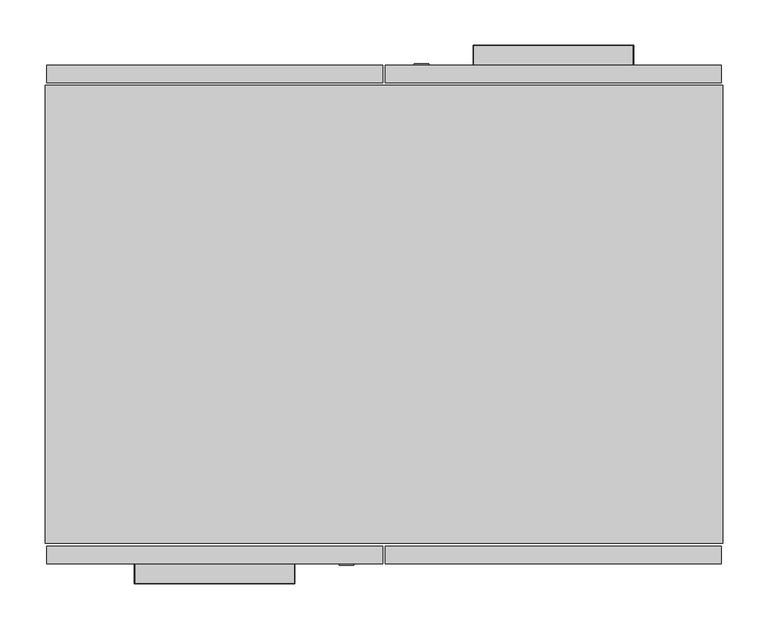
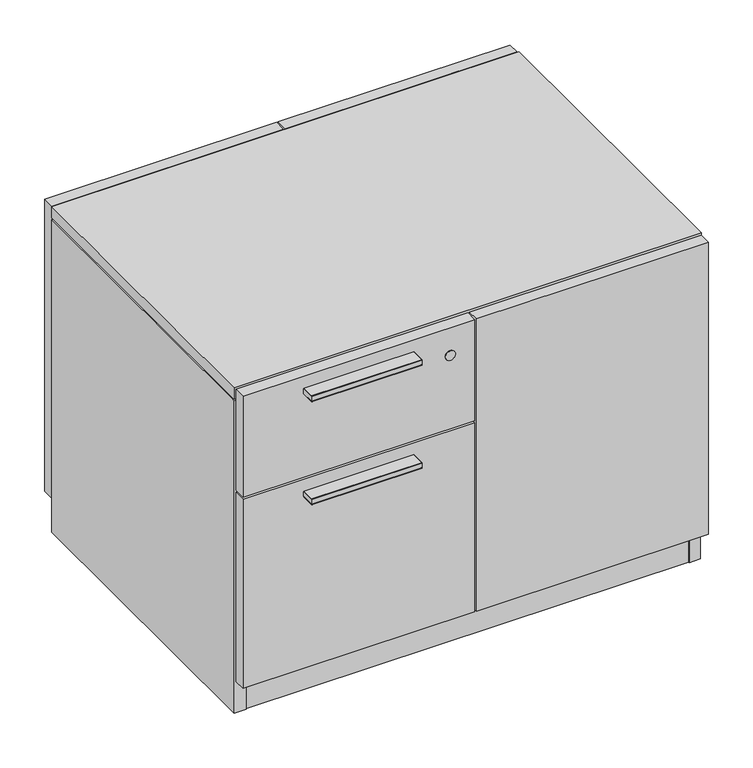
"""IFC4 building model written with IfcOpenShell, lengths in millimetres: furniture geometry."""

from ifc_helpers import new_model, si_unit, point, frame, frame_2d, origin, origin_with_axes, place, context, project, spatial, polyline, circle_curve, ellipse_curve, trimmed, segment, composite_curve, outline, extrude, source, transform, mapped, element, save
from ifc_brep_helpers import plane_surface, cylinder_surface, revolved_surface, advanced_brep


def furniture_bc1b990d(model_context):
    return source(origin(), model_context, "Body", "SolidModel", [
        extrude(outline(composite_curve([segment(trimmed(circle_curve(frame_2d((707.0343382, 205.7527027)), 18.4149915), [point((725.4493297, 205.7527027))], [point((688.6193467, 205.7527027))], False, "CARTESIAN"), True, "CONTINUOUS"), segment(trimmed(circle_curve(frame_2d((707.0343382, 205.7527027)), 18.4149915), [point((688.6193467, 205.7527027))], [point((725.4493297, 205.7527027))], False, "CARTESIAN"), True, "CONTINUOUS")], self_intersect=False)), origin_with_axes(), (0.0, 0.0, 1.0), 9.1439998),
        extrude(outline(composite_curve([segment(trimmed(circle_curve(frame_2d((44.7954398, 205.7527027)), 18.4149915), [point((26.3804483, 205.7527027))], [point((63.2104313, 205.7527027))], False, "CARTESIAN"), True, "CONTINUOUS"), segment(trimmed(circle_curve(frame_2d((44.7954398, 205.7527027)), 18.4149915), [point((63.2104313, 205.7527027))], [point((26.3804483, 205.7527027))], False, "CARTESIAN"), True, "CONTINUOUS")], self_intersect=False)), origin_with_axes(), (0.0, 0.0, 1.0), 9.1439998),
        extrude(outline(composite_curve([segment(trimmed(circle_curve(frame_2d((707.0343382, -205.7312287)), 18.4149915), [point((725.4493297, -205.7312287))], [point((688.6193467, -205.7312287))], False, "CARTESIAN"), True, "CONTINUOUS"), segment(trimmed(circle_curve(frame_2d((707.0343382, -205.7312287)), 18.4149915), [point((688.6193467, -205.7312287))], [point((725.4493297, -205.7312287))], False, "CARTESIAN"), True, "CONTINUOUS")], self_intersect=False)), origin_with_axes(), (0.0, 0.0, 1.0), 9.1439998),
        extrude(outline(composite_curve([segment(trimmed(circle_curve(frame_2d((44.7954398, -205.7312287)), 18.4149915), [point((26.3804483, -205.7312287))], [point((63.2104313, -205.7312287))], False, "CARTESIAN"), True, "CONTINUOUS"), segment(trimmed(circle_curve(frame_2d((44.7954398, -205.7312287)), 18.4149915), [point((63.2104313, -205.7312287))], [point((26.3804483, -205.7312287))], False, "CARTESIAN"), True, "CONTINUOUS")], self_intersect=False)), origin_with_axes(), (0.0, 0.0, 1.0), 9.1439998),
        advanced_brep(
        [(475.6975188, 276.4790179, 527.0591806), (475.6975188, 297.9420247, 527.0591806), (652.0607572, 297.9420247, 527.0591806), (652.0607572, 276.4790179, 527.0591806), (622.3653588, 276.4790179, 527.0591806), (622.3721802, 292.3939808, 527.0591806), (505.3895065, 292.3939808, 527.0591806), (505.3929172, 276.4790179, 527.0591806), (652.0607572, 276.4790179, 536.5841806), (652.0607572, 297.9420247, 536.5841806), (475.6975188, 297.9420247, 536.5841806), (475.6975188, 276.4790179, 536.5841806), (506.1848711, 276.4790179, 527.7699741), (512.4949425, 276.4790179, 533.4091528), (615.2633335, 276.4790179, 533.4091528), (621.5734049, 276.4790179, 527.7699741), (512.4949425, 292.3939808, 533.4091528), (506.1848711, 292.3939808, 527.7699741), (621.5734049, 292.3939808, 527.7699741), (615.2633335, 292.3939808, 533.4091528)],
        [
            (0, 1),
            (1, 2),
            (2, 3),
            (3, 4),
            (4, 5),
            (5, 6),
            (6, 7),
            (7, 0),
            (8, 9),
            (9, 10),
            (10, 11),
            (11, 8),
            (11, 0),
            (7, 12, circle_curve(frame((505.3895065, 276.4790179, 527.8595683), z_axis=(0.0, -1.0, 0.0), x_axis=(0.0, 0.0, -1.0)), 0.8003949)),
            (12, 13, circle_curve(frame((512.4949425, 276.4790179, 527.0591734), z_axis=(0.0, 1.0, 0.0), x_axis=(0.0, 0.0, -1.0)), 6.3499794)),
            (13, 14),
            (14, 15, circle_curve(frame((615.2633335, 276.4790179, 527.0591734), z_axis=(0.0, 1.0, 0.0), x_axis=(0.0, 0.0, -1.0)), 6.3499794)),
            (15, 4, circle_curve(frame((622.3687695, 276.4790179, 527.8595683), z_axis=(0.0, -1.0, 0.0), x_axis=(0.0, 0.0, -1.0)), 0.8003949)),
            (3, 8),
            (10, 1),
            (9, 2),
            (16, 17, circle_curve(frame((512.4949425, 292.3939808, 527.0591734), z_axis=(0.0, -1.0, 0.0), x_axis=(0.0, 0.0, -1.0)), 6.3499794)),
            (17, 6, circle_curve(frame((505.3895065, 292.3939808, 527.8595683), z_axis=(0.0, 1.0, 0.0), x_axis=(0.0, 0.0, -1.0)), 0.8003949)),
            (5, 18, circle_curve(frame((622.3687695, 292.3939808, 527.8595683), z_axis=(0.0, 1.0, 0.0), x_axis=(0.0, 0.0, -1.0)), 0.8003949)),
            (18, 19, circle_curve(frame((615.2633335, 292.3939808, 527.0591734), z_axis=(0.0, -1.0, 0.0), x_axis=(0.0, 0.0, -1.0)), 6.3499794)),
            (19, 16),
            (16, 13),
            (12, 17),
            (15, 18),
            (14, 19),
        ],
        [
            plane_surface(frame((367.4291321, 276.4790179, 527.0591806), z_axis=(0.0, 0.0, -1.0), x_axis=(-1.0, 0.0, 0.0))),
            plane_surface(frame((367.4291321, 276.4790179, 536.5841806), z_axis=(0.0, 0.0, 1.0), x_axis=(1.0, 0.0, 0.0))),
            plane_surface(frame((652.0607572, 276.4790179, 527.0591806), z_axis=(0.0, -1.0, 0.0), x_axis=(0.0, 0.0, 1.0))),
            plane_surface(frame((475.6975188, 276.4790179, 527.0591806), z_axis=(-1.0, 0.0, 0.0), x_axis=(0.0, 0.0, 1.0))),
            plane_surface(frame((475.6975188, 297.9420247, 527.0591806), z_axis=(0.0, 1.0, 0.0), x_axis=(0.0, 0.0, 1.0))),
            plane_surface(frame((652.0607572, 297.9420247, 527.0591806), z_axis=(1.0, 0.0, 0.0), x_axis=(0.0, 0.0, 1.0))),
            plane_surface(frame((563.879138, 292.3939808, 531.8216806), z_axis=(0.0, -1.0, 0.0), x_axis=(-1.0, 0.0, 0.0))),
            revolved_surface(polyline([(512.4949425, 276.4790179, 520.7091939999999), (512.4949425, 292.3939808, 520.7091939999999)]), (512.4949425, 276.4790179, 527.0591734), (0.0, -1.0, 0.0)),
            cylinder_surface(frame((505.3895065, 276.4790179, 527.8595683), z_axis=(0.0, 1.0, 0.0), x_axis=(0.0, 0.0, -1.0)), 0.8003949),
            cylinder_surface(frame((622.3687695, 276.4790179, 527.8595683), z_axis=(0.0, 1.0, 0.0), x_axis=(0.0, 0.0, -1.0)), 0.8003949),
            revolved_surface(polyline([(615.2633335, 276.4790179, 520.7091939999999), (615.2633335, 292.3939808, 520.7091939999999)]), (615.2633335, 276.4790179, 527.0591734), (0.0, -1.0, 0.0)),
            plane_surface(frame((615.2633335, 276.4790179, 533.4091528), z_axis=(0.0, 0.0, -1.0), x_axis=(0.0, 1.0, 0.0))),
        ],
        [
            (0, [[1, 2, 3, 4, 5, 6, 7, 8]]),
            (1, [[9, 10, 11, 12]]),
            (2, [[-12, 13, -8, 14, 15, 16, 17, 18, -4, 19]]),
            (3, [[-1, -13, -11, 20]]),
            (4, [[-2, -20, -10, 21]]),
            (5, [[-3, -21, -9, -19]]),
            (6, [[22, 23, -6, 24, 25, 26]]),
            (7, [[-22, 27, -15, 28]]),
            (8, [[-23, -28, -14, -7]]),
            (9, [[-24, -5, -18, 29]]),
            (10, [[-25, -29, -17, 30]]),
            (11, [[-26, -30, -16, -27]]),
        ],
    ),
        advanced_brep(
        [(652.0607572, 276.4790179, 527.0591625), (652.8227383, 276.4790179, 527.8211254), (652.8227383, 276.4790179, 535.8169014), (652.0607572, 276.4790179, 536.578937), (652.0607572, 297.9420247, 527.0591625), (652.8227383, 298.7040058, 527.8211254), (652.8227383, 298.7040058, 535.8169014), (652.0607572, 297.9420247, 536.578937), (475.6975188, 297.9420247, 527.0591625), (474.9355377, 298.7040058, 527.8211254), (474.9355377, 298.7040058, 535.8169014), (475.6975188, 297.9420247, 536.578937), (475.6975188, 276.4790179, 527.0591625), (475.6975188, 276.4790179, 536.578937), (474.9355377, 276.4790179, 535.8169014), (474.9355377, 276.4790179, 527.8211254)],
        [
            (0, 1, circle_curve(frame((652.0607754, 276.4790179, 527.8211254), z_axis=(0.0, -1.0, 0.0), x_axis=(-1.0, 0.0, 0.0)), 0.7619629)),
            (1, 2),
            (2, 3, circle_curve(frame((652.0607027, 276.4790179, 535.8169014), z_axis=(0.0, -1.0, 0.0), x_axis=(-1.0, 0.0, 0.0)), 0.7620356)),
            (3, 0),
            (0, 4),
            (4, 5, ellipse_curve(frame((652.0607754, 297.9420429, 527.8211254), z_axis=(0.7071067811865503, -0.7071067811865448, 0.0), x_axis=(-0.7071067811865448, -0.7071067811865501, 0.0)), 1.0775783, 0.7619629)),
            (5, 1),
            (5, 6),
            (6, 2),
            (6, 7, ellipse_curve(frame((652.0607027, 297.9419702, 535.8169014), z_axis=(0.7071067811865503, -0.7071067811865448, 0.0), x_axis=(-0.7071067811865448, -0.7071067811865501, 0.0)), 1.0776811, 0.7620356)),
            (7, 3),
            (7, 4),
            (4, 8),
            (8, 9, ellipse_curve(frame((475.6975006, 297.9420429, 527.8211254), z_axis=(0.7071067811865446, 0.7071067811865503, 0.0), x_axis=(0.7071067811865506, -0.7071067811865446, 0.0)), 1.0775783, 0.7619629)),
            (9, 5),
            (9, 10),
            (10, 6),
            (10, 11, ellipse_curve(frame((475.6975733, 297.9419702, 535.8169014), z_axis=(0.7071067811865446, 0.7071067811865503, 0.0), x_axis=(0.7071067811865506, -0.7071067811865446, 0.0)), 1.0776811, 0.7620356)),
            (11, 7),
            (11, 8),
            (12, 13),
            (13, 14, circle_curve(frame((475.6975733, 276.4790179, 535.8169014), z_axis=(0.0, -1.0, 0.0), x_axis=(1.0, 0.0, 0.0)), 0.7620356)),
            (14, 15),
            (15, 12, circle_curve(frame((475.6975006, 276.4790179, 527.8211254), z_axis=(0.0, -1.0, 0.0), x_axis=(1.0, 0.0, 0.0)), 0.7619629)),
            (8, 12),
            (15, 9),
            (14, 10),
            (13, 11),
        ],
        [
            plane_surface(frame((652.5251352, 276.4790179, 531.8216806), z_axis=(0.0, -1.0, 0.0), x_axis=(0.0, 0.0, 1.0))),
            cylinder_surface(frame((652.0607754, 276.4790179, 527.8211254), z_axis=(0.0, -1.0, 0.0), x_axis=(-1.0, 0.0, 0.0)), 0.7619629),
            plane_surface(frame((652.8227383, 276.4790179, 527.8211254), z_axis=(1.0, 0.0, 0.0), x_axis=(0.0, 1.0, 0.0))),
            cylinder_surface(frame((652.0607027, 276.4790179, 535.8169014), z_axis=(0.0, -1.0, 0.0), x_axis=(-1.0, 0.0, 0.0)), 0.7620356),
            plane_surface(frame((652.0607572, 276.4790179, 536.578937), z_axis=(-1.0, 0.0, 0.0), x_axis=(0.0, 1.0, 0.0))),
            cylinder_surface(frame((652.5251352, 297.9420429, 527.8211254), z_axis=(1.0, 0.0, 0.0), x_axis=(0.0, -1.0, 0.0)), 0.7619629),
            plane_surface(frame((652.8227383, 298.7040058, 527.8211254), z_axis=(0.0, 1.0, 0.0), x_axis=(-1.0, 0.0, 0.0))),
            cylinder_surface(frame((652.5251352, 297.9419702, 535.8169014), z_axis=(1.0, 0.0, 0.0), x_axis=(0.0, -1.0, 0.0)), 0.7620356),
            plane_surface(frame((652.0607572, 297.9420247, 536.578937), z_axis=(0.0, -1.0, 0.0), x_axis=(-1.0, 0.0, 0.0))),
            plane_surface(frame((475.2331408, 276.4790179, 531.8216806), z_axis=(0.0, -1.0, 0.0), x_axis=(0.0, 0.0, 1.0))),
            cylinder_surface(frame((475.6975006, 298.4064027, 527.8211254), z_axis=(0.0, 1.0, 0.0), x_axis=(1.0, 0.0, 0.0)), 0.7619629),
            plane_surface(frame((474.9355377, 298.7040058, 527.8211254), z_axis=(-1.0, 0.0, 0.0), x_axis=(0.0, -1.0, 0.0))),
            cylinder_surface(frame((475.6975733, 298.4064027, 535.8169014), z_axis=(0.0, 1.0, 0.0), x_axis=(1.0, 0.0, 0.0)), 0.7620356),
            plane_surface(frame((475.6975188, 297.9420247, 536.578937), z_axis=(1.0, 0.0, 0.0), x_axis=(0.0, -1.0, 0.0))),
        ],
        [
            (0, [[1, 2, 3, 4]]),
            (1, [[-1, 5, 6, 7]]),
            (2, [[-2, -7, 8, 9]]),
            (3, [[-3, -9, 10, 11]]),
            (4, [[-4, -11, 12, -5]]),
            (5, [[-6, 13, 14, 15]]),
            (6, [[-8, -15, 16, 17]]),
            (7, [[-10, -17, 18, 19]]),
            (8, [[-12, -19, 20, -13]]),
            (9, [[21, 22, 23, 24]]),
            (10, [[-14, 25, -24, 26]]),
            (11, [[-16, -26, -23, 27]]),
            (12, [[-18, -27, -22, 28]]),
            (13, [[-20, -28, -21, -25]]),
        ],
    ),
        advanced_brep(
        [(276.1372866, -276.4790179, 527.0591806), (276.1372866, -297.9420247, 527.0591806), (99.7740482, -297.9420247, 527.0591806), (99.7740482, -276.4790179, 527.0591806), (129.4694466, -276.4790179, 527.0591806), (129.4626252, -292.3939808, 527.0591806), (246.4452989, -292.3939808, 527.0591806), (246.4418882, -276.4790179, 527.0591806), (99.7740482, -276.4790179, 536.5841806), (99.7740482, -297.9420247, 536.5841806), (276.1372866, -297.9420247, 536.5841806), (276.1372866, -276.4790179, 536.5841806), (245.6499343, -276.4790179, 527.7699741), (239.3398629, -276.4790179, 533.4091528), (136.5714719, -276.4790179, 533.4091528), (130.2614005, -276.4790179, 527.7699741), (239.3398629, -292.3939808, 533.4091528), (245.6499343, -292.3939808, 527.7699741), (130.2614005, -292.3939808, 527.7699741), (136.5714719, -292.3939808, 533.4091528)],
        [
            (0, 1),
            (1, 2),
            (2, 3),
            (3, 4),
            (4, 5),
            (5, 6),
            (6, 7),
            (7, 0),
            (8, 9),
            (9, 10),
            (10, 11),
            (11, 8),
            (11, 0),
            (7, 12, circle_curve(frame((246.4452989, -276.4790179, 527.8595683), z_axis=(0.0, 1.0, 0.0), x_axis=(0.0, 0.0, -1.0)), 0.8003949)),
            (12, 13, circle_curve(frame((239.3398629, -276.4790179, 527.0591734), z_axis=(0.0, -1.0, 0.0), x_axis=(0.0, 0.0, -1.0)), 6.3499794)),
            (13, 14),
            (14, 15, circle_curve(frame((136.5714719, -276.4790179, 527.0591734), z_axis=(0.0, -1.0, 0.0), x_axis=(0.0, 0.0, -1.0)), 6.3499794)),
            (15, 4, circle_curve(frame((129.4660359, -276.4790179, 527.8595683), z_axis=(0.0, 1.0, 0.0), x_axis=(0.0, 0.0, -1.0)), 0.8003949)),
            (3, 8),
            (10, 1),
            (9, 2),
            (16, 17, circle_curve(frame((239.3398629, -292.3939808, 527.0591734), z_axis=(0.0, 1.0, 0.0), x_axis=(0.0, 0.0, -1.0)), 6.3499794)),
            (17, 6, circle_curve(frame((246.4452989, -292.3939808, 527.8595683), z_axis=(0.0, -1.0, 0.0), x_axis=(0.0, 0.0, -1.0)), 0.8003949)),
            (5, 18, circle_curve(frame((129.4660359, -292.3939808, 527.8595683), z_axis=(0.0, -1.0, 0.0), x_axis=(0.0, 0.0, -1.0)), 0.8003949)),
            (18, 19, circle_curve(frame((136.5714719, -292.3939808, 527.0591734), z_axis=(0.0, 1.0, 0.0), x_axis=(0.0, 0.0, -1.0)), 6.3499794)),
            (19, 16),
            (16, 13),
            (12, 17),
            (15, 18),
            (14, 19),
        ],
        [
            plane_surface(frame((384.4056734, -276.4790179, 527.0591806), z_axis=(0.0, 0.0, -1.0), x_axis=(1.0, 0.0, 0.0))),
            plane_surface(frame((384.4056734, -276.4790179, 536.5841806), z_axis=(0.0, 0.0, 1.0), x_axis=(-1.0, 0.0, 0.0))),
            plane_surface(frame((99.7740482, -276.4790179, 527.0591806), z_axis=(0.0, 1.0, 0.0), x_axis=(0.0, 0.0, 1.0))),
            plane_surface(frame((276.1372866, -276.4790179, 527.0591806), z_axis=(1.0, 0.0, 0.0), x_axis=(0.0, 0.0, 1.0))),
            plane_surface(frame((276.1372866, -297.9420247, 527.0591806), z_axis=(0.0, -1.0, 0.0), x_axis=(0.0, 0.0, 1.0))),
            plane_surface(frame((99.7740482, -297.9420247, 527.0591806), z_axis=(-1.0, 0.0, 0.0), x_axis=(0.0, 0.0, 1.0))),
            plane_surface(frame((187.9556674, -292.3939808, 531.8216806), z_axis=(0.0, 1.0, 0.0), x_axis=(1.0, 0.0, 0.0))),
            revolved_surface(polyline([(239.3398629, -276.4790179, 520.7091939999999), (239.3398629, -292.3939808, 520.7091939999999)]), (239.3398629, -276.4790179, 527.0591734), (0.0, 1.0, 0.0)),
            cylinder_surface(frame((246.4452989, -276.4790179, 527.8595683), z_axis=(0.0, -1.0, 0.0), x_axis=(0.0, 0.0, -1.0)), 0.8003949),
            cylinder_surface(frame((129.4660359, -276.4790179, 527.8595683), z_axis=(0.0, -1.0, 0.0), x_axis=(0.0, 0.0, -1.0)), 0.8003949),
            revolved_surface(polyline([(136.5714719, -276.4790179, 520.7091939999999), (136.5714719, -292.3939808, 520.7091939999999)]), (136.5714719, -276.4790179, 527.0591734), (0.0, 1.0, 0.0)),
            plane_surface(frame((136.5714719, -276.4790179, 533.4091528), z_axis=(0.0, 0.0, -1.0), x_axis=(0.0, -1.0, 0.0))),
        ],
        [
            (0, [[1, 2, 3, 4, 5, 6, 7, 8]]),
            (1, [[9, 10, 11, 12]]),
            (2, [[-12, 13, -8, 14, 15, 16, 17, 18, -4, 19]]),
            (3, [[-1, -13, -11, 20]]),
            (4, [[-2, -20, -10, 21]]),
            (5, [[-3, -21, -9, -19]]),
            (6, [[22, 23, -6, 24, 25, 26]]),
            (7, [[-22, 27, -15, 28]]),
            (8, [[-23, -28, -14, -7]]),
            (9, [[-24, -5, -18, 29]]),
            (10, [[-25, -29, -17, 30]]),
            (11, [[-26, -30, -16, -27]]),
        ],
    ),
        advanced_brep(
        [(99.7740482, -276.4790179, 527.0591625), (99.0120671, -276.4790179, 527.8211254), (99.0120671, -276.4790179, 535.8169014), (99.7740482, -276.4790179, 536.578937), (99.7740482, -297.9420247, 527.0591625), (99.0120671, -298.7040058, 527.8211254), (99.0120671, -298.7040058, 535.8169014), (99.7740482, -297.9420247, 536.578937), (276.1372866, -297.9420247, 527.0591625), (276.8992677, -298.7040058, 527.8211254), (276.8992677, -298.7040058, 535.8169014), (276.1372866, -297.9420247, 536.578937), (276.1372866, -276.4790179, 527.0591625), (276.1372866, -276.4790179, 536.578937), (276.8992677, -276.4790179, 535.8169014), (276.8992677, -276.4790179, 527.8211254)],
        [
            (0, 1, circle_curve(frame((99.7740301, -276.4790179, 527.8211254), z_axis=(0.0, 1.0, 0.0), x_axis=(1.0, 0.0, 0.0)), 0.7619629)),
            (1, 2),
            (2, 3, circle_curve(frame((99.7741027, -276.4790179, 535.8169014), z_axis=(0.0, 1.0, 0.0), x_axis=(1.0, 0.0, 0.0)), 0.7620356)),
            (3, 0),
            (0, 4),
            (4, 5, ellipse_curve(frame((99.7740301, -297.9420429, 527.8211254), z_axis=(-0.707106781186548, 0.7071067811865469, 0.0), x_axis=(0.7071067811865468, 0.7071067811865481, 0.0)), 1.0775783, 0.7619629)),
            (5, 1),
            (5, 6),
            (6, 2),
            (6, 7, ellipse_curve(frame((99.7741027, -297.9419702, 535.8169014), z_axis=(-0.707106781186548, 0.7071067811865469, 0.0), x_axis=(0.7071067811865468, 0.7071067811865481, 0.0)), 1.0776811, 0.7620356)),
            (7, 3),
            (7, 4),
            (4, 8),
            (8, 9, ellipse_curve(frame((276.1373048, -297.9420429, 527.8211254), z_axis=(-0.7071067811865469, -0.7071067811865481, 0.0), x_axis=(-0.7071067811865481, 0.7071067811865469, 0.0)), 1.0775783, 0.7619629)),
            (9, 5),
            (9, 10),
            (10, 6),
            (10, 11, ellipse_curve(frame((276.1372321, -297.9419702, 535.8169014), z_axis=(-0.7071067811865469, -0.7071067811865481, 0.0), x_axis=(-0.7071067811865481, 0.7071067811865469, 0.0)), 1.0776811, 0.7620356)),
            (11, 7),
            (11, 8),
            (12, 13),
            (13, 14, circle_curve(frame((276.1372321, -276.4790179, 535.8169014), z_axis=(0.0, 1.0, 0.0), x_axis=(-1.0, 0.0, 0.0)), 0.7620356)),
            (14, 15),
            (15, 12, circle_curve(frame((276.1373048, -276.4790179, 527.8211254), z_axis=(0.0, 1.0, 0.0), x_axis=(-1.0, 0.0, 0.0)), 0.7619629)),
            (8, 12),
            (15, 9),
            (14, 10),
            (13, 11),
        ],
        [
            plane_surface(frame((99.3096702, -276.4790179, 531.8216806), z_axis=(0.0, 1.0, 0.0), x_axis=(0.0, 0.0, 1.0))),
            cylinder_surface(frame((99.7740301, -276.4790179, 527.8211254), z_axis=(0.0, 1.0, 0.0), x_axis=(1.0, 0.0, 0.0)), 0.7619629),
            plane_surface(frame((99.0120671, -276.4790179, 527.8211254), z_axis=(-1.0, 0.0, 0.0), x_axis=(0.0, -1.0, 0.0))),
            cylinder_surface(frame((99.7741027, -276.4790179, 535.8169014), z_axis=(0.0, 1.0, 0.0), x_axis=(1.0, 0.0, 0.0)), 0.7620356),
            plane_surface(frame((99.7740482, -276.4790179, 536.578937), z_axis=(1.0, 0.0, 0.0), x_axis=(0.0, -1.0, 0.0))),
            cylinder_surface(frame((99.3096702, -297.9420429, 527.8211254), z_axis=(-1.0, 0.0, 0.0), x_axis=(0.0, 1.0, 0.0)), 0.7619629),
            plane_surface(frame((99.0120671, -298.7040058, 527.8211254), z_axis=(0.0, -1.0, 0.0), x_axis=(1.0, 0.0, 0.0))),
            cylinder_surface(frame((99.3096702, -297.9419702, 535.8169014), z_axis=(-1.0, 0.0, 0.0), x_axis=(0.0, 1.0, 0.0)), 0.7620356),
            plane_surface(frame((99.7740482, -297.9420247, 536.578937), z_axis=(0.0, 1.0, 0.0), x_axis=(1.0, 0.0, 0.0))),
            plane_surface(frame((276.6016647, -276.4790179, 531.8216806), z_axis=(0.0, 1.0, 0.0), x_axis=(0.0, 0.0, 1.0))),
            cylinder_surface(frame((276.1373048, -298.4064027, 527.8211254), z_axis=(0.0, -1.0, 0.0), x_axis=(-1.0, 0.0, 0.0)), 0.7619629),
            plane_surface(frame((276.8992677, -298.7040058, 527.8211254), z_axis=(1.0, 0.0, 0.0), x_axis=(0.0, 1.0, 0.0))),
            cylinder_surface(frame((276.1372321, -298.4064027, 535.8169014), z_axis=(0.0, -1.0, 0.0), x_axis=(-1.0, 0.0, 0.0)), 0.7620356),
            plane_surface(frame((276.1372866, -297.9420247, 536.578937), z_axis=(-1.0, 0.0, 0.0), x_axis=(0.0, 1.0, 0.0))),
        ],
        [
            (0, [[1, 2, 3, 4]]),
            (1, [[-1, 5, 6, 7]]),
            (2, [[-2, -7, 8, 9]]),
            (3, [[-3, -9, 10, 11]]),
            (4, [[-4, -11, 12, -5]]),
            (5, [[-6, 13, 14, 15]]),
            (6, [[-8, -15, 16, 17]]),
            (7, [[-10, -17, 18, 19]]),
            (8, [[-12, -19, 20, -13]]),
            (9, [[21, 22, 23, 24]]),
            (10, [[-14, 25, -24, 26]]),
            (11, [[-16, -26, -23, 27]]),
            (12, [[-18, -27, -22, 28]]),
            (13, [[-20, -28, -21, -25]]),
        ],
    ),
        advanced_brep(
        [(475.6975188, 276.4790179, 351.9491933), (475.6975188, 297.9420247, 351.9491933), (652.0607572, 297.9420247, 351.9491933), (652.0607572, 276.4790179, 351.9491933), (622.3653588, 276.4790179, 351.9491933), (622.3721802, 292.3939808, 351.9491933), (505.3895065, 292.3939808, 351.9491933), (505.3929172, 276.4790179, 351.9491933), (652.0607572, 276.4790179, 361.4741933), (652.0607572, 297.9420247, 361.4741933), (475.6975188, 297.9420247, 361.4741933), (475.6975188, 276.4790179, 361.4741933), (506.1848711, 276.4790179, 352.6599867), (512.4949425, 276.4790179, 358.2991654), (615.2633335, 276.4790179, 358.2991654), (621.5734049, 276.4790179, 352.6599867), (512.4949425, 292.3939808, 358.2991654), (506.1848711, 292.3939808, 352.6599867), (621.5734049, 292.3939808, 352.6599867), (615.2633335, 292.3939808, 358.2991654)],
        [
            (0, 1),
            (1, 2),
            (2, 3),
            (3, 4),
            (4, 5),
            (5, 6),
            (6, 7),
            (7, 0),
            (8, 9),
            (9, 10),
            (10, 11),
            (11, 8),
            (11, 0),
            (7, 12, circle_curve(frame((505.3895065, 276.4790179, 352.7495809), z_axis=(0.0, -1.0, 0.0), x_axis=(0.0, 0.0, -1.0)), 0.8003949)),
            (12, 13, circle_curve(frame((512.4949425, 276.4790179, 351.949186), z_axis=(0.0, 1.0, 0.0), x_axis=(0.0, 0.0, -1.0)), 6.3499794)),
            (13, 14),
            (14, 15, circle_curve(frame((615.2633335, 276.4790179, 351.949186), z_axis=(0.0, 1.0, 0.0), x_axis=(0.0, 0.0, -1.0)), 6.3499794)),
            (15, 4, circle_curve(frame((622.3687695, 276.4790179, 352.7495809), z_axis=(0.0, -1.0, 0.0), x_axis=(0.0, 0.0, -1.0)), 0.8003949)),
            (3, 8),
            (10, 1),
            (9, 2),
            (16, 17, circle_curve(frame((512.4949425, 292.3939808, 351.949186), z_axis=(0.0, -1.0, 0.0), x_axis=(0.0, 0.0, -1.0)), 6.3499794)),
            (17, 6, circle_curve(frame((505.3895065, 292.3939808, 352.7495809), z_axis=(0.0, 1.0, 0.0), x_axis=(0.0, 0.0, -1.0)), 0.8003949)),
            (5, 18, circle_curve(frame((622.3687695, 292.3939808, 352.7495809), z_axis=(0.0, 1.0, 0.0), x_axis=(0.0, 0.0, -1.0)), 0.8003949)),
            (18, 19, circle_curve(frame((615.2633335, 292.3939808, 351.949186), z_axis=(0.0, -1.0, 0.0), x_axis=(0.0, 0.0, -1.0)), 6.3499794)),
            (19, 16),
            (16, 13),
            (12, 17),
            (15, 18),
            (14, 19),
        ],
        [
            plane_surface(frame((367.4291321, 276.4790179, 351.9491933), z_axis=(0.0, 0.0, -1.0), x_axis=(-1.0, 0.0, 0.0))),
            plane_surface(frame((367.4291321, 276.4790179, 361.4741933), z_axis=(0.0, 0.0, 1.0), x_axis=(1.0, 0.0, 0.0))),
            plane_surface(frame((652.0607572, 276.4790179, 351.9491933), z_axis=(0.0, -1.0, 0.0), x_axis=(0.0, 0.0, 1.0))),
            plane_surface(frame((475.6975188, 276.4790179, 351.9491933), z_axis=(-1.0, 0.0, 0.0), x_axis=(0.0, 0.0, 1.0))),
            plane_surface(frame((475.6975188, 297.9420247, 351.9491933), z_axis=(0.0, 1.0, 0.0), x_axis=(0.0, 0.0, 1.0))),
            plane_surface(frame((652.0607572, 297.9420247, 351.9491933), z_axis=(1.0, 0.0, 0.0), x_axis=(0.0, 0.0, 1.0))),
            plane_surface(frame((563.879138, 292.3939808, 356.7116933), z_axis=(0.0, -1.0, 0.0), x_axis=(-1.0, 0.0, 0.0))),
            revolved_surface(polyline([(512.4949425, 276.4790179, 345.5992066), (512.4949425, 292.3939808, 345.5992066)]), (512.4949425, 276.4790179, 351.949186), (0.0, -1.0, 0.0)),
            cylinder_surface(frame((505.3895065, 276.4790179, 352.7495809), z_axis=(0.0, 1.0, 0.0), x_axis=(0.0, 0.0, -1.0)), 0.8003949),
            cylinder_surface(frame((622.3687695, 276.4790179, 352.7495809), z_axis=(0.0, 1.0, 0.0), x_axis=(0.0, 0.0, -1.0)), 0.8003949),
            revolved_surface(polyline([(615.2633335, 276.4790179, 345.5992066), (615.2633335, 292.3939808, 345.5992066)]), (615.2633335, 276.4790179, 351.949186), (0.0, -1.0, 0.0)),
            plane_surface(frame((615.2633335, 276.4790179, 358.2991654), z_axis=(0.0, 0.0, -1.0), x_axis=(0.0, 1.0, 0.0))),
        ],
        [
            (0, [[1, 2, 3, 4, 5, 6, 7, 8]]),
            (1, [[9, 10, 11, 12]]),
            (2, [[-12, 13, -8, 14, 15, 16, 17, 18, -4, 19]]),
            (3, [[-1, -13, -11, 20]]),
            (4, [[-2, -20, -10, 21]]),
            (5, [[-3, -21, -9, -19]]),
            (6, [[22, 23, -6, 24, 25, 26]]),
            (7, [[-22, 27, -15, 28]]),
            (8, [[-23, -28, -14, -7]]),
            (9, [[-24, -5, -18, 29]]),
            (10, [[-25, -29, -17, 30]]),
            (11, [[-26, -30, -16, -27]]),
        ],
    ),
        advanced_brep(
        [(652.0607572, 276.4790179, 351.9491751), (652.8227383, 276.4790179, 352.7111381), (652.8227383, 276.4790179, 360.706914), (652.0607572, 276.4790179, 361.4689496), (652.0607572, 297.9420247, 351.9491751), (652.8227383, 298.7040058, 352.7111381), (652.8227383, 298.7040058, 360.706914), (652.0607572, 297.9420247, 361.4689496), (475.6975188, 297.9420247, 351.9491751), (474.9355377, 298.7040058, 352.7111381), (474.9355377, 298.7040058, 360.706914), (475.6975188, 297.9420247, 361.4689496), (475.6975188, 276.4790179, 351.9491751), (475.6975188, 276.4790179, 361.4689496), (474.9355377, 276.4790179, 360.706914), (474.9355377, 276.4790179, 352.7111381)],
        [
            (0, 1, circle_curve(frame((652.0607754, 276.4790179, 352.7111381), z_axis=(0.0, -1.0, 0.0), x_axis=(-1.0, 0.0, 0.0)), 0.7619629)),
            (1, 2),
            (2, 3, circle_curve(frame((652.0607027, 276.4790179, 360.706914), z_axis=(0.0, -1.0, 0.0), x_axis=(-1.0, 0.0, 0.0)), 0.7620356)),
            (3, 0),
            (0, 4),
            (4, 5, ellipse_curve(frame((652.0607754, 297.9420429, 352.7111381), z_axis=(0.7071067811865503, -0.7071067811865448, 0.0), x_axis=(-0.7071067811865448, -0.7071067811865501, 0.0)), 1.0775783, 0.7619629)),
            (5, 1),
            (5, 6),
            (6, 2),
            (6, 7, ellipse_curve(frame((652.0607027, 297.9419702, 360.706914), z_axis=(0.7071067811865503, -0.7071067811865448, 0.0), x_axis=(-0.7071067811865448, -0.7071067811865501, 0.0)), 1.0776811, 0.7620356)),
            (7, 3),
            (7, 4),
            (4, 8),
            (8, 9, ellipse_curve(frame((475.6975006, 297.9420429, 352.7111381), z_axis=(0.7071067811865446, 0.7071067811865503, 0.0), x_axis=(0.7071067811865506, -0.7071067811865446, 0.0)), 1.0775783, 0.7619629)),
            (9, 5),
            (9, 10),
            (10, 6),
            (10, 11, ellipse_curve(frame((475.6975733, 297.9419702, 360.706914), z_axis=(0.7071067811865446, 0.7071067811865503, 0.0), x_axis=(0.7071067811865506, -0.7071067811865446, 0.0)), 1.0776811, 0.7620356)),
            (11, 7),
            (11, 8),
            (12, 13),
            (13, 14, circle_curve(frame((475.6975733, 276.4790179, 360.706914), z_axis=(0.0, -1.0, 0.0), x_axis=(1.0, 0.0, 0.0)), 0.7620356)),
            (14, 15),
            (15, 12, circle_curve(frame((475.6975006, 276.4790179, 352.7111381), z_axis=(0.0, -1.0, 0.0), x_axis=(1.0, 0.0, 0.0)), 0.7619629)),
            (8, 12),
            (15, 9),
            (14, 10),
            (13, 11),
        ],
        [
            plane_surface(frame((652.5251352, 276.4790179, 356.7116933), z_axis=(0.0, -1.0, 0.0), x_axis=(0.0, 0.0, 1.0))),
            cylinder_surface(frame((652.0607754, 276.4790179, 352.7111381), z_axis=(0.0, -1.0, 0.0), x_axis=(-1.0, 0.0, 0.0)), 0.7619629),
            plane_surface(frame((652.8227383, 276.4790179, 352.7111381), z_axis=(1.0, 0.0, 0.0), x_axis=(0.0, 1.0, 0.0))),
            cylinder_surface(frame((652.0607027, 276.4790179, 360.706914), z_axis=(0.0, -1.0, 0.0), x_axis=(-1.0, 0.0, 0.0)), 0.7620356),
            plane_surface(frame((652.0607572, 276.4790179, 361.4689496), z_axis=(-1.0, 0.0, 0.0), x_axis=(0.0, 1.0, 0.0))),
            cylinder_surface(frame((652.5251352, 297.9420429, 352.7111381), z_axis=(1.0, 0.0, 0.0), x_axis=(0.0, -1.0, 0.0)), 0.7619629),
            plane_surface(frame((652.8227383, 298.7040058, 352.7111381), z_axis=(0.0, 1.0, 0.0), x_axis=(-1.0, 0.0, 0.0))),
            cylinder_surface(frame((652.5251352, 297.9419702, 360.706914), z_axis=(1.0, 0.0, 0.0), x_axis=(0.0, -1.0, 0.0)), 0.7620356),
            plane_surface(frame((652.0607572, 297.9420247, 361.4689496), z_axis=(0.0, -1.0, 0.0), x_axis=(-1.0, 0.0, 0.0))),
            plane_surface(frame((475.2331408, 276.4790179, 356.7116933), z_axis=(0.0, -1.0, 0.0), x_axis=(0.0, 0.0, 1.0))),
            cylinder_surface(frame((475.6975006, 298.4064027, 352.7111381), z_axis=(0.0, 1.0, 0.0), x_axis=(1.0, 0.0, 0.0)), 0.7619629),
            plane_surface(frame((474.9355377, 298.7040058, 352.7111381), z_axis=(-1.0, 0.0, 0.0), x_axis=(0.0, -1.0, 0.0))),
            cylinder_surface(frame((475.6975733, 298.4064027, 360.706914), z_axis=(0.0, 1.0, 0.0), x_axis=(1.0, 0.0, 0.0)), 0.7620356),
            plane_surface(frame((475.6975188, 297.9420247, 361.4689496), z_axis=(1.0, 0.0, 0.0), x_axis=(0.0, -1.0, 0.0))),
        ],
        [
            (0, [[1, 2, 3, 4]]),
            (1, [[-1, 5, 6, 7]]),
            (2, [[-2, -7, 8, 9]]),
            (3, [[-3, -9, 10, 11]]),
            (4, [[-4, -11, 12, -5]]),
            (5, [[-6, 13, 14, 15]]),
            (6, [[-8, -15, 16, 17]]),
            (7, [[-10, -17, 18, 19]]),
            (8, [[-12, -19, 20, -13]]),
            (9, [[21, 22, 23, 24]]),
            (10, [[-14, 25, -24, 26]]),
            (11, [[-16, -26, -23, 27]]),
            (12, [[-18, -27, -22, 28]]),
            (13, [[-20, -28, -21, -25]]),
        ],
    ),
        advanced_brep(
        [(276.1372866, -276.4790179, 351.9491933), (276.1372866, -297.9420247, 351.9491933), (99.7740482, -297.9420247, 351.9491933), (99.7740482, -276.4790179, 351.9491933), (129.4694466, -276.4790179, 351.9491933), (129.4626252, -292.3939808, 351.9491933), (246.4452989, -292.3939808, 351.9491933), (246.4418882, -276.4790179, 351.9491933), (99.7740482, -276.4790179, 361.4741933), (99.7740482, -297.9420247, 361.4741933), (276.1372866, -297.9420247, 361.4741933), (276.1372866, -276.4790179, 361.4741933), (245.6499343, -276.4790179, 352.6599867), (239.3398629, -276.4790179, 358.2991654), (136.5714719, -276.4790179, 358.2991654), (130.2614005, -276.4790179, 352.6599867), (239.3398629, -292.3939808, 358.2991654), (245.6499343, -292.3939808, 352.6599867), (130.2614005, -292.3939808, 352.6599867), (136.5714719, -292.3939808, 358.2991654)],
        [
            (0, 1),
            (1, 2),
            (2, 3),
            (3, 4),
            (4, 5),
            (5, 6),
            (6, 7),
            (7, 0),
            (8, 9),
            (9, 10),
            (10, 11),
            (11, 8),
            (11, 0),
            (7, 12, circle_curve(frame((246.4452989, -276.4790179, 352.7495809), z_axis=(0.0, 1.0, 0.0), x_axis=(0.0, 0.0, -1.0)), 0.8003949)),
            (12, 13, circle_curve(frame((239.3398629, -276.4790179, 351.949186), z_axis=(0.0, -1.0, 0.0), x_axis=(0.0, 0.0, -1.0)), 6.3499794)),
            (13, 14),
            (14, 15, circle_curve(frame((136.5714719, -276.4790179, 351.949186), z_axis=(0.0, -1.0, 0.0), x_axis=(0.0, 0.0, -1.0)), 6.3499794)),
            (15, 4, circle_curve(frame((129.4660359, -276.4790179, 352.7495809), z_axis=(0.0, 1.0, 0.0), x_axis=(0.0, 0.0, -1.0)), 0.8003949)),
            (3, 8),
            (10, 1),
            (9, 2),
            (16, 17, circle_curve(frame((239.3398629, -292.3939808, 351.949186), z_axis=(0.0, 1.0, 0.0), x_axis=(0.0, 0.0, -1.0)), 6.3499794)),
            (17, 6, circle_curve(frame((246.4452989, -292.3939808, 352.7495809), z_axis=(0.0, -1.0, 0.0), x_axis=(0.0, 0.0, -1.0)), 0.8003949)),
            (5, 18, circle_curve(frame((129.4660359, -292.3939808, 352.7495809), z_axis=(0.0, -1.0, 0.0), x_axis=(0.0, 0.0, -1.0)), 0.8003949)),
            (18, 19, circle_curve(frame((136.5714719, -292.3939808, 351.949186), z_axis=(0.0, 1.0, 0.0), x_axis=(0.0, 0.0, -1.0)), 6.3499794)),
            (19, 16),
            (16, 13),
            (12, 17),
            (15, 18),
            (14, 19),
        ],
        [
            plane_surface(frame((384.4056734, -276.4790179, 351.9491933), z_axis=(0.0, 0.0, -1.0), x_axis=(1.0, 0.0, 0.0))),
            plane_surface(frame((384.4056734, -276.4790179, 361.4741933), z_axis=(0.0, 0.0, 1.0), x_axis=(-1.0, 0.0, 0.0))),
            plane_surface(frame((99.7740482, -276.4790179, 351.9491933), z_axis=(0.0, 1.0, 0.0), x_axis=(0.0, 0.0, 1.0))),
            plane_surface(frame((276.1372866, -276.4790179, 351.9491933), z_axis=(1.0, 0.0, 0.0), x_axis=(0.0, 0.0, 1.0))),
            plane_surface(frame((276.1372866, -297.9420247, 351.9491933), z_axis=(0.0, -1.0, 0.0), x_axis=(0.0, 0.0, 1.0))),
            plane_surface(frame((99.7740482, -297.9420247, 351.9491933), z_axis=(-1.0, 0.0, 0.0), x_axis=(0.0, 0.0, 1.0))),
            plane_surface(frame((187.9556674, -292.3939808, 356.7116933), z_axis=(0.0, 1.0, 0.0), x_axis=(1.0, 0.0, 0.0))),
            revolved_surface(polyline([(239.3398629, -276.4790179, 345.5992066), (239.3398629, -292.3939808, 345.5992066)]), (239.3398629, -276.4790179, 351.949186), (0.0, 1.0, 0.0)),
            cylinder_surface(frame((246.4452989, -276.4790179, 352.7495809), z_axis=(0.0, -1.0, 0.0), x_axis=(0.0, 0.0, -1.0)), 0.8003949),
            cylinder_surface(frame((129.4660359, -276.4790179, 352.7495809), z_axis=(0.0, -1.0, 0.0), x_axis=(0.0, 0.0, -1.0)), 0.8003949),
            revolved_surface(polyline([(136.5714719, -276.4790179, 345.5992066), (136.5714719, -292.3939808, 345.5992066)]), (136.5714719, -276.4790179, 351.949186), (0.0, 1.0, 0.0)),
            plane_surface(frame((136.5714719, -276.4790179, 358.2991654), z_axis=(0.0, 0.0, -1.0), x_axis=(0.0, -1.0, 0.0))),
        ],
        [
            (0, [[1, 2, 3, 4, 5, 6, 7, 8]]),
            (1, [[9, 10, 11, 12]]),
            (2, [[-12, 13, -8, 14, 15, 16, 17, 18, -4, 19]]),
            (3, [[-1, -13, -11, 20]]),
            (4, [[-2, -20, -10, 21]]),
            (5, [[-3, -21, -9, -19]]),
            (6, [[22, 23, -6, 24, 25, 26]]),
            (7, [[-22, 27, -15, 28]]),
            (8, [[-23, -28, -14, -7]]),
            (9, [[-24, -5, -18, 29]]),
            (10, [[-25, -29, -17, 30]]),
            (11, [[-26, -30, -16, -27]]),
        ],
    ),
        advanced_brep(
        [(99.7740482, -276.4790179, 351.9491751), (99.0120671, -276.4790179, 352.7111381), (99.0120671, -276.4790179, 360.706914), (99.7740482, -276.4790179, 361.4689496), (99.7740482, -297.9420247, 351.9491751), (99.0120671, -298.7040058, 352.7111381), (99.0120671, -298.7040058, 360.706914), (99.7740482, -297.9420247, 361.4689496), (276.1372866, -297.9420247, 351.9491751), (276.8992677, -298.7040058, 352.7111381), (276.8992677, -298.7040058, 360.706914), (276.1372866, -297.9420247, 361.4689496), (276.1372866, -276.4790179, 351.9491751), (276.1372866, -276.4790179, 361.4689496), (276.8992677, -276.4790179, 360.706914), (276.8992677, -276.4790179, 352.7111381)],
        [
            (0, 1, circle_curve(frame((99.7740301, -276.4790179, 352.7111381), z_axis=(0.0, 1.0, 0.0), x_axis=(1.0, 0.0, 0.0)), 0.7619629)),
            (1, 2),
            (2, 3, circle_curve(frame((99.7741027, -276.4790179, 360.706914), z_axis=(0.0, 1.0, 0.0), x_axis=(1.0, 0.0, 0.0)), 0.7620356)),
            (3, 0),
            (0, 4),
            (4, 5, ellipse_curve(frame((99.7740301, -297.9420429, 352.7111381), z_axis=(-0.707106781186548, 0.7071067811865469, 0.0), x_axis=(0.7071067811865468, 0.7071067811865481, 0.0)), 1.0775783, 0.7619629)),
            (5, 1),
            (5, 6),
            (6, 2),
            (6, 7, ellipse_curve(frame((99.7741027, -297.9419702, 360.706914), z_axis=(-0.707106781186548, 0.7071067811865469, 0.0), x_axis=(0.7071067811865468, 0.7071067811865481, 0.0)), 1.0776811, 0.7620356)),
            (7, 3),
            (7, 4),
            (4, 8),
            (8, 9, ellipse_curve(frame((276.1373048, -297.9420429, 352.7111381), z_axis=(-0.7071067811865469, -0.7071067811865481, 0.0), x_axis=(-0.7071067811865481, 0.7071067811865469, 0.0)), 1.0775783, 0.7619629)),
            (9, 5),
            (9, 10),
            (10, 6),
            (10, 11, ellipse_curve(frame((276.1372321, -297.9419702, 360.706914), z_axis=(-0.7071067811865469, -0.7071067811865481, 0.0), x_axis=(-0.7071067811865481, 0.7071067811865469, 0.0)), 1.0776811, 0.7620356)),
            (11, 7),
            (11, 8),
            (12, 13),
            (13, 14, circle_curve(frame((276.1372321, -276.4790179, 360.706914), z_axis=(0.0, 1.0, 0.0), x_axis=(-1.0, 0.0, 0.0)), 0.7620356)),
            (14, 15),
            (15, 12, circle_curve(frame((276.1373048, -276.4790179, 352.7111381), z_axis=(0.0, 1.0, 0.0), x_axis=(-1.0, 0.0, 0.0)), 0.7619629)),
            (8, 12),
            (15, 9),
            (14, 10),
            (13, 11),
        ],
        [
            plane_surface(frame((99.3096702, -276.4790179, 356.7116933), z_axis=(0.0, 1.0, 0.0), x_axis=(0.0, 0.0, 1.0))),
            cylinder_surface(frame((99.7740301, -276.4790179, 352.7111381), z_axis=(0.0, 1.0, 0.0), x_axis=(1.0, 0.0, 0.0)), 0.7619629),
            plane_surface(frame((99.0120671, -276.4790179, 352.7111381), z_axis=(-1.0, 0.0, 0.0), x_axis=(0.0, -1.0, 0.0))),
            cylinder_surface(frame((99.7741027, -276.4790179, 360.706914), z_axis=(0.0, 1.0, 0.0), x_axis=(1.0, 0.0, 0.0)), 0.7620356),
            plane_surface(frame((99.7740482, -276.4790179, 361.4689496), z_axis=(1.0, 0.0, 0.0), x_axis=(0.0, -1.0, 0.0))),
            cylinder_surface(frame((99.3096702, -297.9420429, 352.7111381), z_axis=(-1.0, 0.0, 0.0), x_axis=(0.0, 1.0, 0.0)), 0.7619629),
            plane_surface(frame((99.0120671, -298.7040058, 352.7111381), z_axis=(0.0, -1.0, 0.0), x_axis=(1.0, 0.0, 0.0))),
            cylinder_surface(frame((99.3096702, -297.9419702, 360.706914), z_axis=(-1.0, 0.0, 0.0), x_axis=(0.0, 1.0, 0.0)), 0.7620356),
            plane_surface(frame((99.7740482, -297.9420247, 361.4689496), z_axis=(0.0, 1.0, 0.0), x_axis=(1.0, 0.0, 0.0))),
            plane_surface(frame((276.6016647, -276.4790179, 356.7116933), z_axis=(0.0, 1.0, 0.0), x_axis=(0.0, 0.0, 1.0))),
            cylinder_surface(frame((276.1373048, -298.4064027, 352.7111381), z_axis=(0.0, -1.0, 0.0), x_axis=(-1.0, 0.0, 0.0)), 0.7619629),
            plane_surface(frame((276.8992677, -298.7040058, 352.7111381), z_axis=(1.0, 0.0, 0.0), x_axis=(0.0, 1.0, 0.0))),
            cylinder_surface(frame((276.1372321, -298.4064027, 360.706914), z_axis=(0.0, -1.0, 0.0), x_axis=(-1.0, 0.0, 0.0)), 0.7620356),
            plane_surface(frame((276.1372866, -297.9420247, 361.4689496), z_axis=(-1.0, 0.0, 0.0), x_axis=(0.0, 1.0, 0.0))),
        ],
        [
            (0, [[1, 2, 3, 4]]),
            (1, [[-1, 5, 6, 7]]),
            (2, [[-2, -7, 8, 9]]),
            (3, [[-3, -9, 10, 11]]),
            (4, [[-4, -11, 12, -5]]),
            (5, [[-6, 13, 14, 15]]),
            (6, [[-8, -15, 16, 17]]),
            (7, [[-10, -17, 18, 19]]),
            (8, [[-12, -19, 20, -13]]),
            (9, [[21, 22, 23, 24]]),
            (10, [[-14, 25, -24, 26]]),
            (11, [[-16, -26, -23, 27]]),
            (12, [[-18, -27, -22, 28]]),
            (13, [[-20, -28, -21, -25]]),
        ],
    ),
        extrude(outline(polyline([(0.0, -253.9999939), (0.0, 253.9999939), (751.829778, 253.9999939), (751.829778, -253.9999939), (0.0, -253.9999939)])), frame((0.0, 0.0, 539.49901), z_axis=(0.0, 0.0, 1.0), x_axis=(1.0, 0.0, 0.0)), (0.0, 0.0, 1.0), 19.2999847),
        extrude(outline(polyline([(374.31745, 276.4790179), (374.31745, 257.1750363), (1.5775001, 257.1750363), (1.5775001, 276.4790179), (374.31745, 276.4790179)])), frame((0.0, 0.0, 60.198), z_axis=(0.0, 0.0, 1.0), x_axis=(1.0, 0.0, 0.0)), (0.0, 0.0, 1.0), 497.0109755),
        extrude(outline(polyline([(377.512328, 257.1750363), (377.512328, 276.4790179), (750.2522779, 276.4790179), (750.2522779, 257.1750363), (377.512328, 257.1750363)])), frame((0.0, 0.0, 385.2790266), z_axis=(0.0, 0.0, 1.0), x_axis=(1.0, 0.0, 0.0)), (0.0, 0.0, 1.0), 171.9299489),
        extrude(outline(polyline([(377.512328, 257.1750363), (377.512328, 276.4790179), (750.2522779, 276.4790179), (750.2522779, 257.1750363), (377.512328, 257.1750363)])), frame((0.0, 0.0, 60.198), z_axis=(0.0, 0.0, 1.0), x_axis=(1.0, 0.0, 0.0)), (0.0, 0.0, 1.0), 321.9010245),
        extrude(outline(polyline([(377.512328, -276.4790179), (377.512328, -257.1750363), (750.2522779, -257.1750363), (750.2522779, -276.4790179), (377.512328, -276.4790179)])), frame((0.0, 0.0, 60.198), z_axis=(0.0, 0.0, 1.0), x_axis=(1.0, 0.0, 0.0)), (0.0, 0.0, 1.0), 497.0109755),
        extrude(outline(polyline([(374.31745, -257.1750363), (374.31745, -276.4790179), (1.5775001, -276.4790179), (1.5775001, -257.1750363), (374.31745, -257.1750363)])), frame((0.0, 0.0, 385.2790266), z_axis=(0.0, 0.0, 1.0), x_axis=(1.0, 0.0, 0.0)), (0.0, 0.0, 1.0), 171.9299489),
        extrude(outline(polyline([(374.31745, -257.1750363), (374.31745, -276.4790179), (1.5775001, -276.4790179), (1.5775001, -257.1750363), (374.31745, -257.1750363)])), frame((0.0, 0.0, 60.198), z_axis=(0.0, 0.0, 1.0), x_axis=(1.0, 0.0, 0.0)), (0.0, 0.0, 1.0), 321.9010245),
        extrude(outline(composite_curve([segment(trimmed(circle_curve(frame_2d((510.9123828, 417.5099229)), 8.0010015), [point((510.9123828, 425.5109244))], [point((510.9123828, 409.5089214))], False, "CARTESIAN"), True, "CONTINUOUS"), segment(trimmed(circle_curve(frame_2d((510.9123828, 417.5099229)), 8.0010015), [point((510.9123828, 409.5089214))], [point((510.9123828, 425.5109244))], False, "CARTESIAN"), True, "CONTINUOUS")], self_intersect=False)), frame((0.0, 276.4790179, 0.0), z_axis=(0.0, 1.0, 0.0), x_axis=(0.0, 0.0, 1.0)), (0.0, 0.0, 1.0), 1.5874939),
        extrude(outline(composite_curve([segment(trimmed(circle_curve(frame_2d((510.9123828, 334.3198551)), 8.0010015), [point((510.9123828, 342.3208566))], [point((510.9123828, 326.3188537))], False, "CARTESIAN"), True, "CONTINUOUS"), segment(trimmed(circle_curve(frame_2d((510.9123828, 334.3198551)), 8.0010015), [point((510.9123828, 326.3188537))], [point((510.9123828, 342.3208566))], False, "CARTESIAN"), True, "CONTINUOUS")], self_intersect=False)), frame((0.0, -278.0665119, 0.0), z_axis=(0.0, 1.0, 0.0), x_axis=(0.0, 0.0, 1.0)), (0.0, 0.0, 1.0), 1.5874939),
        extrude(outline(polyline([(395.2288965, -253.9999939), (375.914889, -253.9999939), (375.914889, 233.9399902), (395.2288965, 233.9399902), (395.2288965, -253.9999939)])), frame((0.0, 0.0, 79.5790089), z_axis=(0.0, 0.0, 1.0), x_axis=(1.0, 0.0, 0.0)), (0.0, 0.0, 1.0), 456.7450132),
        extrude(outline(polyline([(375.914889, -253.9999939), (356.6109364, -253.9999939), (356.6109364, 233.9399902), (375.914889, 233.9399902), (375.914889, -253.9999939)])), frame((0.0, 0.0, 79.5790089), z_axis=(0.0, 0.0, 1.0), x_axis=(1.0, 0.0, 0.0)), (0.0, 0.0, 1.0), 456.7450132),
        extrude(outline(polyline([(19.3003985, -253.6189852), (19.3003985, 253.6190034), (732.5293795, 253.6190034), (732.5293795, -253.6189852), (19.3003985, -253.6189852)])), frame((0.0, 0.0, 60.198), z_axis=(0.0, 0.0, 1.0), x_axis=(1.0, 0.0, 0.0)), (0.0, 0.0, 1.0), 19.3810089),
        extrude(outline(polyline([(19.3003985, -252.4759954), (19.3003985, -233.1719775), (732.5293795, -233.1719775), (732.5293795, -252.4759954), (19.3003985, -252.4759954)])), frame((0.0, 0.0, 4.6990001), z_axis=(0.0, 0.0, 1.0), x_axis=(1.0, 0.0, 0.0)), (0.0, 0.0, 1.0), 55.4989999),
        extrude(outline(polyline([(19.3003985, 233.1719956), (19.3003985, 252.4760136), (732.5293795, 252.4760136), (732.5293795, 233.1719956), (19.3003985, 233.1719956)])), frame((0.0, 0.0, 4.6990001), z_axis=(0.0, 0.0, 1.0), x_axis=(1.0, 0.0, 0.0)), (0.0, 0.0, 1.0), 55.4989999),
        extrude(outline(polyline([(0.0, -253.9999939), (0.0, 253.9999939), (19.3003985, 253.9999939), (19.3003985, -253.9999939), (0.0, -253.9999939)])), frame((0.0, 0.0, 4.6990001), z_axis=(0.0, 0.0, 1.0), x_axis=(1.0, 0.0, 0.0)), (0.0, 0.0, 1.0), 531.625022),
        extrude(outline(polyline([(732.5293795, 253.9999939), (750.2522779, 253.9999939), (750.2522779, -253.9999939), (732.5293795, -253.9999939), (732.5293795, 253.9999939)])), frame((0.0, 0.0, 4.6990001), z_axis=(0.0, 0.0, 1.0), x_axis=(1.0, 0.0, 0.0)), (0.0, 0.0, 1.0), 531.625022),
    ])


if __name__ == "__main__":
    model = new_model("IFC4")
    model_context = context("Model", 3, world=origin())
    ifc_project = project(units=[si_unit("LENGTHUNIT", "METRE", prefix="MILLI")], contexts=[model_context])
    site = spatial("IfcSite", under=ifc_project)
    building = spatial("IfcBuilding", under=site)
    placement = place(None, origin())
    furniture_shape = furniture_bc1b990d(model_context)
    element("IfcFurniture", 1, at=placement, inside=building, context=model_context, shape_type="MappedRepresentation", body=[
        mapped(furniture_shape, transform((0.0, 0.0, 0.0), x_axis=(1.0, 0.0, 0.0), y_axis=(0.0, 1.0, 0.0), z_axis=(0.0, 0.0, 1.0))),
    ])
    save(model, "model.ifc")
